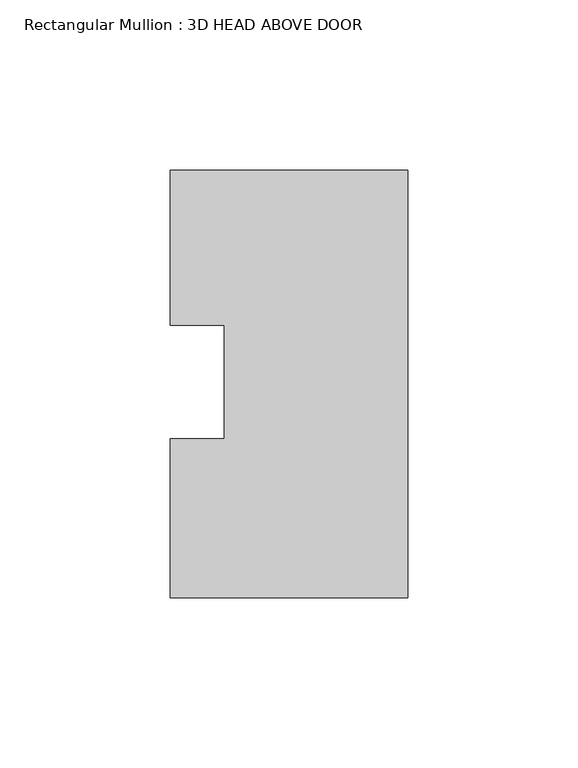
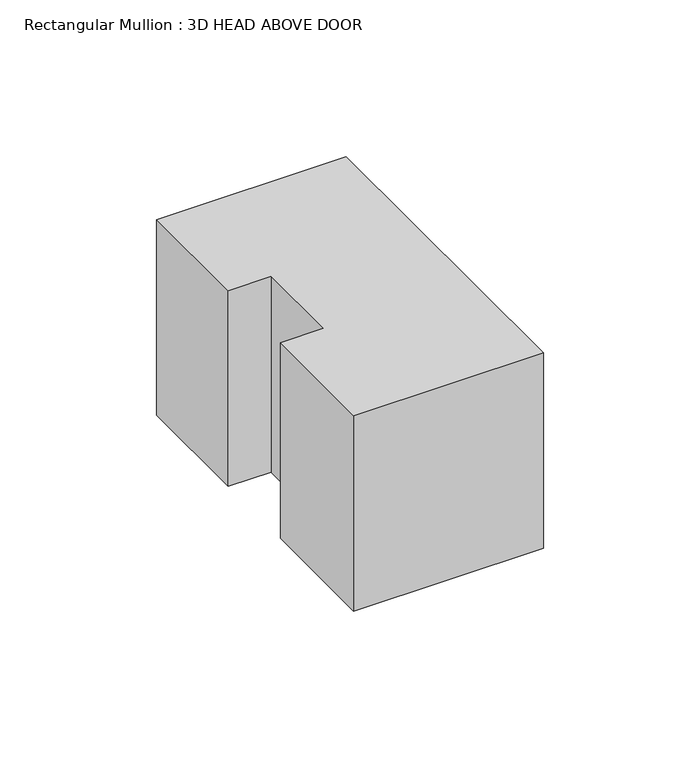
"""IFC4 building model written with IfcOpenShell, lengths in millimetres: member geometry, Rectangular Mullion : 3D HEAD ABOVE DOOR."""

from ifc_helpers import new_model, si_unit, frame, origin, place, context, project, spatial, polyline, outline, extrude, source, transform, mapped, element, save


def rectangular_mullion_3d_head_above_door_2e4bb03e(model_context):
    return source(origin(), model_context, "Body", "SweptSolid", [
        extrude(outline(polyline([(-69.85, 19.9402744), (-69.85, 65.5359978), (0.0, 65.5359978), (0.0, -60.2448022), (-69.85, -60.2448022), (-69.85, -13.3957223), (-53.975, -13.3957223), (-53.975, 19.9402744), (-69.85, 19.9402744)])), frame((0.0, 0.0, -76.2), z_axis=(0.0, 0.0, 1.0), x_axis=(1.0, 0.0, 0.0)), (0.0, 0.0, 1.0), 76.2),
    ])


if __name__ == "__main__":
    model = new_model("IFC4")
    model_context = context("Model", 3, world=origin())
    ifc_project = project(units=[si_unit("LENGTHUNIT", "METRE", prefix="MILLI")], contexts=[model_context])
    site = spatial("IfcSite", under=ifc_project)
    building = spatial("IfcBuilding", under=site)
    placement = place(None, origin())
    rectangular_mullion_3d_head_above_door_shape = rectangular_mullion_3d_head_above_door_2e4bb03e(model_context)
    element("IfcMember", 1, ObjectType="Rectangular Mullion : 3D HEAD ABOVE DOOR", at=placement, inside=building, context=model_context, shape_type="MappedRepresentation", body=[
        mapped(rectangular_mullion_3d_head_above_door_shape, transform((0.0, 0.0, 0.0), x_axis=(1.0, 0.0, 0.0), y_axis=(0.0, 1.0, 0.0), z_axis=(0.0, 0.0, 1.0))),
    ])
    save(model, "model.ifc")
